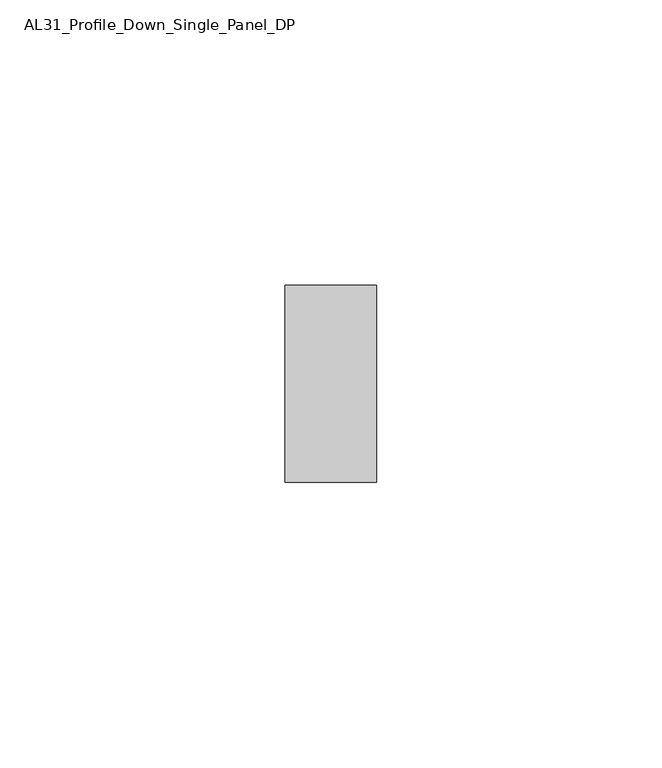
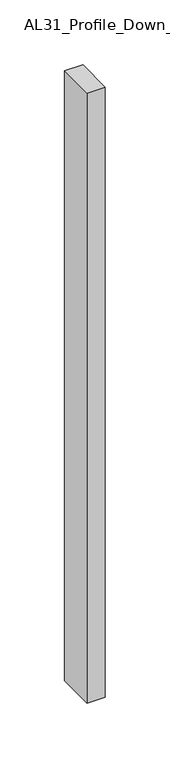
"""IFC4 building model written with IfcOpenShell, lengths in millimetres: member geometry, AL31_Profile_Down_Single_Panel_DP."""

from ifc_helpers import new_model, si_unit, frame, origin, place, context, project, spatial, polyline, outline, extrude, source, transform, mapped, element, save


def al31_profile_down_single_panel_dp_ee607e83(model_context):
    return source(origin(), model_context, "Body", "SweptSolid", [
        extrude(outline(polyline([(0.0, 37.107), (0.0, 2.607), (-16.0427074, 2.607), (-16.0427074, 37.107), (0.0, 37.107)])), frame((0.0, 0.0, -572.6602632), z_axis=(0.0, 0.0, 1.0), x_axis=(1.0, 0.0, 0.0)), (0.0, 0.0, 1.0), 572.6602632),
    ])


if __name__ == "__main__":
    model = new_model("IFC4")
    model_context = context("Model", 3, world=origin())
    ifc_project = project(units=[si_unit("LENGTHUNIT", "METRE", prefix="MILLI")], contexts=[model_context])
    site = spatial("IfcSite", under=ifc_project)
    building = spatial("IfcBuilding", under=site)
    placement = place(None, origin())
    al31_profile_down_single_panel_dp_shape = al31_profile_down_single_panel_dp_ee607e83(model_context)
    element("IfcMember", 1, ObjectType="AL31_Profile_Down_Single_Panel_DP", at=placement, inside=building, context=model_context, shape_type="MappedRepresentation", body=[
        mapped(al31_profile_down_single_panel_dp_shape, transform((0.0, 0.0, 0.0), x_axis=(1.0, 0.0, 0.0), y_axis=(0.0, 1.0, 0.0), z_axis=(0.0, 0.0, 1.0))),
    ])
    save(model, "model.ifc")
